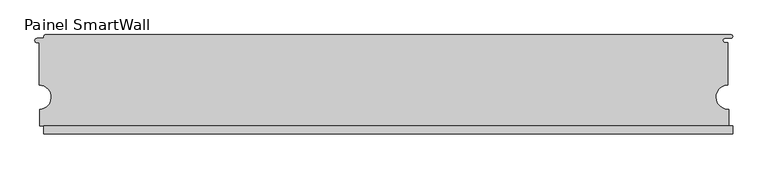
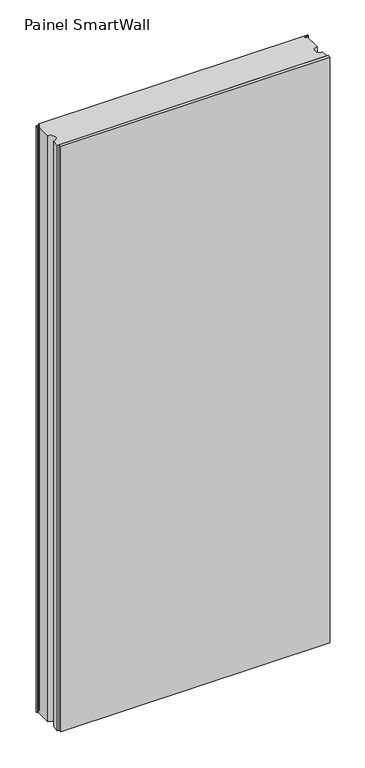
"""IFC4 building model written with IfcOpenShell, lengths in millimetres: proxy geometry, Painel SmartWall."""

from ifc_helpers import new_model, si_unit, frame, origin, origin_with_axes, place, context, project, spatial, polyline, circle_curve, outline, extrude, source, transform, mapped, element, save
from ifc_brep_helpers import plane_surface, cylinder_surface, revolved_surface, advanced_brep


def painel_smartwall_1e35b7f8(model_context):
    return source(origin(), model_context, "Body", "SolidModel", [
        extrude(outline(polyline([(572.5476627, -87.5), (-557.3296463, -87.5), (-557.3296463, -75.0), (572.5476627, -75.0), (572.5476627, -87.5)])), origin_with_axes(), (0.0, 0.0, 1.0), 2600.0),
        advanced_brep(
        [(-568.6450696, 62.2050825, 2600.0), (-565.0, 62.2050825, 2600.0), (-565.0, -7.5053016, 2600.0), (-563.9, -47.615849, 2600.0), (-563.9, -75.0, 2600.0), (566.1221557, -75.0, 2600.0), (566.1221557, -47.6227902, 2600.0), (565.0, -7.4999972, 2600.0), (565.0, 62.3531727, 2600.0), (559.4398936, 62.3531727, 2600.0), (560.0476622, 69.2999998, 2600.0), (569.8401627, 69.2999998, 2600.0), (572.5476627, 72.1500016, 2600.0), (569.840159, 75.0, 2600.0), (-554.8296463, 75.0, 2600.0), (-557.3296463, 72.5, 2600.0), (-557.3296463, 70.6188783, 2600.0), (-558.8296463, 69.1188783, 2600.0), (-568.6450696, 69.1188783, 2600.0), (-568.6450696, 62.2050825, 0.0), (-568.6450696, 69.1188783, 0.0), (-558.8296463, 69.1188783, 0.0), (-557.3296463, 70.6188783, 0.0), (-557.3296463, 72.5, 0.0), (-554.8296463, 75.0, 0.0), (569.840159, 75.0, 0.0), (572.5476627, 72.1500016, 0.0), (569.8401627, 69.2999998, 0.0), (560.0476622, 69.2999998, 0.0), (559.4398936, 62.3531727, 0.0), (565.0, 62.3531727, 0.0), (565.0, -7.4999972, 0.0), (566.1221557, -47.6227902, 0.0), (566.1221557, -75.0, 0.0), (-563.9, -75.0, 0.0), (-563.9, -47.615849, 0.0), (-565.0, -7.5053016, 0.0), (-565.0, 62.2050825, 0.0)],
        [
            (0, 1),
            (1, 2),
            (2, 3, circle_curve(frame((-565.0726436, -27.5776508, 2600.0), z_axis=(0.0, 0.0, -1.0), x_axis=(1.0, 0.0, 0.0)), 20.0724806)),
            (3, 4),
            (4, 5),
            (5, 6),
            (6, 7, circle_curve(frame((565.0746341, -27.5749986, 2600.0), z_axis=(0.0, 0.0, -1.0), x_axis=(1.0, 0.0, 0.0)), 20.0751401)),
            (7, 8),
            (8, 9),
            (9, 10, circle_curve(frame((560.0476622, 65.7999998, 2600.0), z_axis=(0.0, 0.0, -1.0), x_axis=(1.0, 0.0, 0.0)), 3.5)),
            (10, 11),
            (11, 12, circle_curve(frame((569.6939127, 72.1499998, 2600.0), z_axis=(0.0, 0.0, 1.0), x_axis=(1.0, 0.0, 0.0)), 2.85375)),
            (12, 13, circle_curve(frame((569.6939127, 72.1499998, 2600.0), z_axis=(0.0, 0.0, 1.0), x_axis=(1.0, 0.0, 0.0)), 2.85375)),
            (13, 14),
            (14, 15, circle_curve(frame((-554.8296463, 72.5, 2600.0), z_axis=(0.0, 0.0, 1.0), x_axis=(1.0, 0.0, 0.0)), 2.5)),
            (15, 16),
            (16, 17, circle_curve(frame((-558.8296463, 70.6188783, 2600.0), z_axis=(0.0, 0.0, -1.0), x_axis=(1.0, 0.0, 0.0)), 1.5)),
            (17, 18),
            (18, 0, circle_curve(frame((-568.6450696, 65.6619804, 2600.0), z_axis=(0.0, 0.0, 1.0), x_axis=(1.0, 0.0, 0.0)), 3.4568979)),
            (19, 20, circle_curve(frame((-568.6450696, 65.6619804, 0.0), z_axis=(0.0, 0.0, -1.0), x_axis=(1.0, 0.0, 0.0)), 3.4568979)),
            (20, 21),
            (21, 22, circle_curve(frame((-558.8296463, 70.6188783, 0.0), z_axis=(0.0, 0.0, 1.0), x_axis=(1.0, 0.0, 0.0)), 1.5)),
            (22, 23),
            (23, 24, circle_curve(frame((-554.8296463, 72.5, 0.0), z_axis=(0.0, 0.0, -1.0), x_axis=(1.0, 0.0, 0.0)), 2.5)),
            (24, 25),
            (25, 26, circle_curve(frame((569.6939127, 72.1499998, 0.0), z_axis=(0.0, 0.0, -1.0), x_axis=(1.0, 0.0, 0.0)), 2.85375)),
            (26, 27, circle_curve(frame((569.6939127, 72.1499998, 0.0), z_axis=(0.0, 0.0, -1.0), x_axis=(1.0, 0.0, 0.0)), 2.85375)),
            (27, 28),
            (28, 29, circle_curve(frame((560.0476622, 65.7999998, 0.0), z_axis=(0.0, 0.0, 1.0), x_axis=(1.0, 0.0, 0.0)), 3.5)),
            (29, 30),
            (30, 31),
            (31, 32, circle_curve(frame((565.0746341, -27.5749986, 0.0), z_axis=(0.0, 0.0, 1.0), x_axis=(1.0, 0.0, 0.0)), 20.0751401)),
            (32, 33),
            (33, 34),
            (34, 35),
            (35, 36, circle_curve(frame((-565.0726436, -27.5776508, 0.0), z_axis=(0.0, 0.0, 1.0), x_axis=(1.0, 0.0, 0.0)), 20.0724806)),
            (36, 37),
            (37, 19),
            (18, 20),
            (19, 0),
            (17, 21),
            (16, 22),
            (15, 23),
            (14, 24),
            (13, 25),
            (11, 27),
            (10, 28),
            (9, 29),
            (8, 30),
            (7, 31),
            (6, 32),
            (5, 33),
            (4, 34),
            (2, 36),
            (35, 3),
            (1, 37),
        ],
        [
            plane_surface(frame((-565.1881717, 65.6619804, 2600.0), z_axis=(0.0, 0.0, 1.0), x_axis=(0.0, -1.0, 0.0))),
            plane_surface(frame((-565.1881717, 65.6619804, 0.0), z_axis=(0.0, 0.0, -1.0), x_axis=(0.0, 1.0, 0.0))),
            cylinder_surface(frame((-568.6450696, 65.6619804, 0.0), z_axis=(0.0, 0.0, 1.0), x_axis=(1.0, 0.0, 0.0)), 3.4568979),
            plane_surface(frame((-568.6450696, 69.1188783, 2600.0), z_axis=(0.0, 1.0, 0.0), x_axis=(0.0, 0.0, -1.0))),
            revolved_surface(polyline([(-557.3296463, 70.6188783, 0.0), (-557.3296463, 70.6188783, 2600.0)]), (-558.8296463, 70.6188783, 0.0), (0.0, 0.0, -1.0)),
            plane_surface(frame((-557.3296463, 70.6188783, 2600.0), z_axis=(-1.0, 0.0, 0.0), x_axis=(0.0, 0.0, -1.0))),
            cylinder_surface(frame((-554.8296463, 72.5, 0.0), z_axis=(0.0, 0.0, 1.0), x_axis=(1.0, 0.0, 0.0)), 2.5),
            plane_surface(frame((-554.8296463, 75.0, 2600.0), z_axis=(0.0, 1.0, 0.0), x_axis=(0.0, 0.0, -1.0))),
            cylinder_surface(frame((569.6939127, 72.1499998, 0.0), z_axis=(0.0, 0.0, 1.0), x_axis=(1.0, 0.0, 0.0)), 2.85375),
            plane_surface(frame((569.8401627, 69.2999998, 2600.0), z_axis=(0.0, -1.0, 0.0), x_axis=(0.0, 0.0, -1.0))),
            revolved_surface(polyline([(563.5476622, 65.7999998, 0.0), (563.5476622, 65.7999998, 2600.0)]), (560.0476622, 65.7999998, 0.0), (0.0, 0.0, -1.0)),
            plane_surface(frame((559.4398936, 62.3531727, 2600.0), z_axis=(0.0, 1.0, 0.0), x_axis=(0.0, 0.0, -1.0))),
            plane_surface(frame((565.0, 62.3531727, 2600.0), z_axis=(1.0, 0.0, 0.0), x_axis=(0.0, 0.0, -1.0))),
            revolved_surface(polyline([(585.1497742, -27.5749986, 0.0), (585.1497742, -27.5749986, 2600.0)]), (565.0746341, -27.5749986, 0.0), (0.0, 0.0, -1.0)),
            plane_surface(frame((566.1221557, -47.6227902, 2600.0), z_axis=(1.0, 0.0, 0.0), x_axis=(0.0, 0.0, -1.0))),
            plane_surface(frame((566.1221557, -75.0, 2600.0), z_axis=(0.0, -1.0, 0.0), x_axis=(0.0, 0.0, -1.0))),
            revolved_surface(polyline([(-545.000163, -27.5776508, 0.0), (-545.000163, -27.5776508, 2600.0)]), (-565.0726436, -27.5776508, 0.0), (0.0, 0.0, -1.0)),
            plane_surface(frame((-565.0, -7.5053016, 2600.0), z_axis=(-1.0, 0.0, 0.0), x_axis=(0.0, 0.0, -1.0))),
            plane_surface(frame((-565.0, 62.2050825, 2600.0), z_axis=(0.0, -1.0, 0.0), x_axis=(0.0, 0.0, -1.0))),
            plane_surface(frame((-563.9, -75.0, 2600.0), z_axis=(-1.0, 0.0, 0.0), x_axis=(0.0, 0.0, -1.0))),
        ],
        [
            (0, [[1, 2, 3, 4, 5, 6, 7, 8, 9, 10, 11, 12, 13, 14, 15, 16, 17, 18, 19]]),
            (1, [[20, 21, 22, 23, 24, 25, 26, 27, 28, 29, 30, 31, 32, 33, 34, 35, 36, 37, 38]]),
            (2, [[39, -20, 40, -19]]),
            (3, [[41, -21, -39, -18]]),
            (4, [[42, -22, -41, -17]]),
            (5, [[43, -23, -42, -16]]),
            (6, [[44, -24, -43, -15]]),
            (7, [[45, -25, -44, -14]]),
            (8, [[-13, -12, 46, -27, -26, -45]]),
            (9, [[47, -28, -46, -11]]),
            (10, [[48, -29, -47, -10]]),
            (11, [[49, -30, -48, -9]]),
            (12, [[50, -31, -49, -8]]),
            (13, [[51, -32, -50, -7]]),
            (14, [[52, -33, -51, -6]]),
            (15, [[53, -34, -52, -5]]),
            (16, [[54, -36, 55, -3]]),
            (17, [[56, -37, -54, -2]]),
            (18, [[-40, -38, -56, -1]]),
            (19, [[-55, -35, -53, -4]]),
        ],
    ),
    ])


if __name__ == "__main__":
    model = new_model("IFC4")
    model_context = context("Model", 3, world=origin())
    ifc_project = project(units=[si_unit("LENGTHUNIT", "METRE", prefix="MILLI")], contexts=[model_context])
    site = spatial("IfcSite", under=ifc_project)
    building = spatial("IfcBuilding", under=site)
    placement = place(None, origin())
    painel_smartwall_shape = painel_smartwall_1e35b7f8(model_context)
    element("IfcBuildingElementProxy", 1, Name="Painel SmartWall", ObjectType="Painel SmartWall", at=placement, inside=building, context=model_context, shape_type="MappedRepresentation", body=[
        mapped(painel_smartwall_shape, transform((0.0, 0.0, 0.0), x_axis=(1.0, 0.0, 0.0), y_axis=(0.0, 1.0, 0.0), z_axis=(0.0, 0.0, 1.0))),
    ])
    save(model, "model.ifc")
